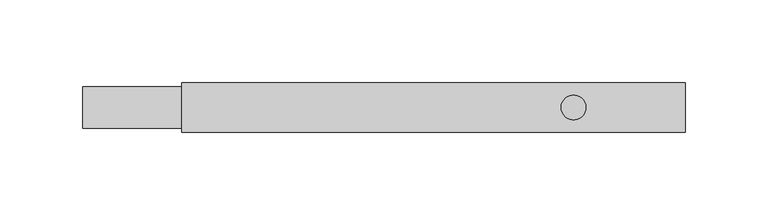
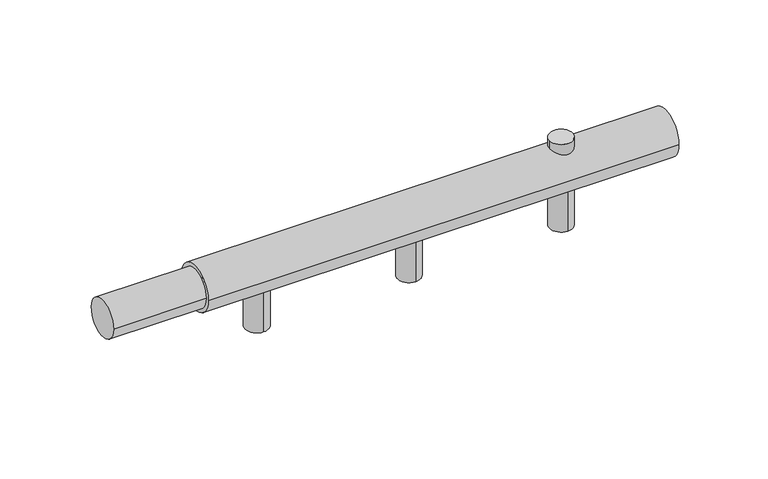
"""IFC4 building model written with IfcOpenShell, lengths in millimetres: proxy geometry."""

from ifc_helpers import new_model, si_unit, point, frame, frame_2d, origin, origin_with_axes, origin_2d, place, context, project, spatial, circle_curve, trimmed, segment, composite_curve, outline, extrude, source, transform, mapped, element, save


def mechanical_equipment_ade56f85(model_context):
    return source(origin(), model_context, "Body", "SweptSolid", [
        extrude(outline(composite_curve([segment(trimmed(circle_curve(frame_2d((297.2727273, 0.0)), 7.5), [point((289.7727273, 0.0))], [point((304.7727273, 0.0))], False, "CARTESIAN"), True, "CONTINUOUS"), segment(trimmed(circle_curve(frame_2d((297.2727273, 0.0)), 7.5), [point((304.7727273, 0.0))], [point((289.7727273, 0.0))], False, "CARTESIAN"), True, "CONTINUOUS")], self_intersect=False)), origin_with_axes(), (0.0, 0.0, 1.0), 20.0),
        extrude(outline(composite_curve([segment(trimmed(circle_curve(origin_2d(), 12.5), [point((-12.5, 0.0))], [point((12.5, 0.0))], False, "CARTESIAN"), True, "CONTINUOUS"), segment(trimmed(circle_curve(origin_2d(), 12.5), [point((12.5, 0.0))], [point((-12.5, 0.0))], False, "CARTESIAN"), True, "CONTINUOUS")], self_intersect=False)), frame((0.0, 0.0, 0.0), z_axis=(1.0, 0.0, 0.0), x_axis=(0.0, 1.0, 0.0)), (0.0, 0.0, 1.0), 60.0),
        extrude(outline(composite_curve([segment(trimmed(circle_curve(origin_2d(), 15.0), [point((-15.0, 0.0))], [point((15.0, 0.0))], False, "CARTESIAN"), True, "CONTINUOUS"), segment(trimmed(circle_curve(origin_2d(), 15.0), [point((15.0, 0.0))], [point((-15.0, 0.0))], False, "CARTESIAN"), True, "CONTINUOUS")], self_intersect=False)), frame((60.0, 0.0, 0.0), z_axis=(1.0, 0.0, 0.0), x_axis=(0.0, 1.0, 0.0)), (0.0, 0.0, 1.0), 305.0),
        extrude(outline(composite_curve([segment(trimmed(circle_curve(frame_2d((297.2727273, 0.0)), 7.5), [point((297.2727273, 7.5))], [point((297.2727273, -7.5))], False, "CARTESIAN"), True, "CONTINUOUS"), segment(trimmed(circle_curve(frame_2d((297.2727273, 0.0)), 7.5), [point((297.2727273, -7.5))], [point((297.2727273, 7.5))], False, "CARTESIAN"), True, "CONTINUOUS")], self_intersect=False)), frame((0.0, 0.0, -40.0), z_axis=(0.0, 0.0, 1.0), x_axis=(1.0, 0.0, 0.0)), (0.0, 0.0, 1.0), 40.0),
        extrude(outline(composite_curve([segment(trimmed(circle_curve(frame_2d((198.6363636, 0.0)), 7.5), [point((198.6363636, 7.5))], [point((198.6363636, -7.5))], False, "CARTESIAN"), True, "CONTINUOUS"), segment(trimmed(circle_curve(frame_2d((198.6363636, 0.0)), 7.5), [point((198.6363636, -7.5))], [point((198.6363636, 7.5))], False, "CARTESIAN"), True, "CONTINUOUS")], self_intersect=False)), frame((0.0, 0.0, -40.0), z_axis=(0.0, 0.0, 1.0), x_axis=(1.0, 0.0, 0.0)), (0.0, 0.0, 1.0), 40.0),
        extrude(outline(composite_curve([segment(trimmed(circle_curve(frame_2d((100.0, 0.0)), 7.5), [point((100.0, 7.5))], [point((100.0, -7.5))], False, "CARTESIAN"), True, "CONTINUOUS"), segment(trimmed(circle_curve(frame_2d((100.0, 0.0)), 7.5), [point((100.0, -7.5))], [point((100.0, 7.5))], False, "CARTESIAN"), True, "CONTINUOUS")], self_intersect=False)), frame((0.0, 0.0, -40.0), z_axis=(0.0, 0.0, 1.0), x_axis=(1.0, 0.0, 0.0)), (0.0, 0.0, 1.0), 40.0),
    ])


if __name__ == "__main__":
    model = new_model("IFC4")
    model_context = context("Model", 3, world=origin())
    ifc_project = project(units=[si_unit("LENGTHUNIT", "METRE", prefix="MILLI")], contexts=[model_context])
    site = spatial("IfcSite", under=ifc_project)
    building = spatial("IfcBuilding", under=site)
    placement = place(None, origin())
    mechanical_equipment_shape = mechanical_equipment_ade56f85(model_context)
    element("IfcBuildingElementProxy", 1, Name="Mechanical Equipment", at=placement, inside=building, context=model_context, shape_type="MappedRepresentation", body=[
        mapped(mechanical_equipment_shape, transform((0.0, 0.0, 0.0), x_axis=(1.0, 0.0, 0.0), y_axis=(0.0, 1.0, 0.0), z_axis=(0.0, 0.0, 1.0))),
    ])
    save(model, "model.ifc")
